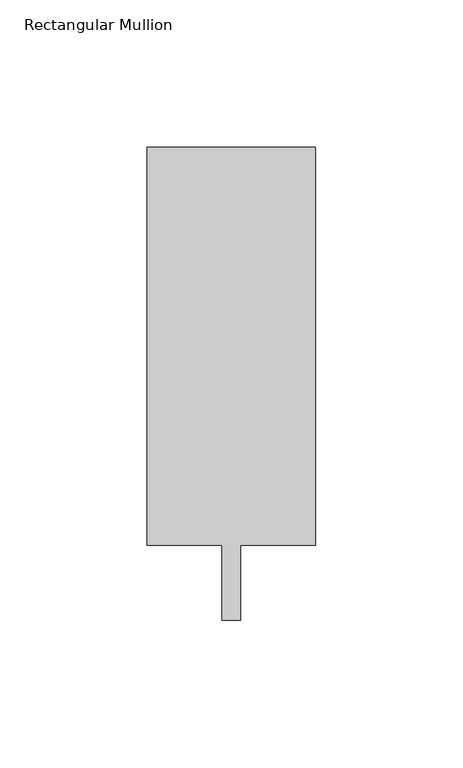
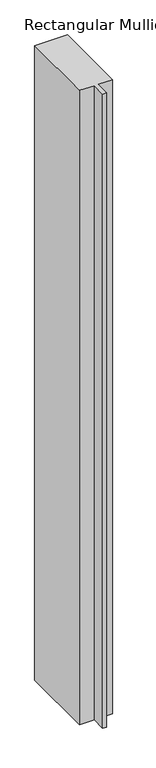
"""IFC4 building model written with IfcOpenShell, lengths in millimetres: member geometry, Rectangular Mullion."""

from ifc_helpers import new_model, si_unit, frame, origin, place, context, project, spatial, polyline, outline, extrude, source, transform, mapped, element, save


def rectangular_mullion_76e02f14(model_context):
    return source(origin(), model_context, "Body", "SweptSolid", [
        extrude(outline(polyline([(28.575, 147.6375), (28.575, 12.7), (3.175, 12.7), (3.175, -12.7), (-3.175, -12.7), (-3.175, 12.7), (-28.575, 12.7), (-28.575, 147.6375), (28.575, 147.6375)])), frame((0.0, 0.0, -1162.05), z_axis=(0.0, 0.0, 1.0), x_axis=(1.0, 0.0, 0.0)), (0.0, 0.0, 1.0), 1162.05),
    ])


if __name__ == "__main__":
    model = new_model("IFC4")
    model_context = context("Model", 3, world=origin())
    ifc_project = project(units=[si_unit("LENGTHUNIT", "METRE", prefix="MILLI")], contexts=[model_context])
    site = spatial("IfcSite", under=ifc_project)
    building = spatial("IfcBuilding", under=site)
    placement = place(None, origin())
    rectangular_mullion_shape = rectangular_mullion_76e02f14(model_context)
    element("IfcMember", 1, ObjectType="Rectangular Mullion", at=placement, inside=building, context=model_context, shape_type="MappedRepresentation", body=[
        mapped(rectangular_mullion_shape, transform((0.0, 0.0, 0.0), x_axis=(1.0, 0.0, 0.0), y_axis=(0.0, 1.0, 0.0), z_axis=(0.0, 0.0, 1.0))),
    ])
    save(model, "model.ifc")
